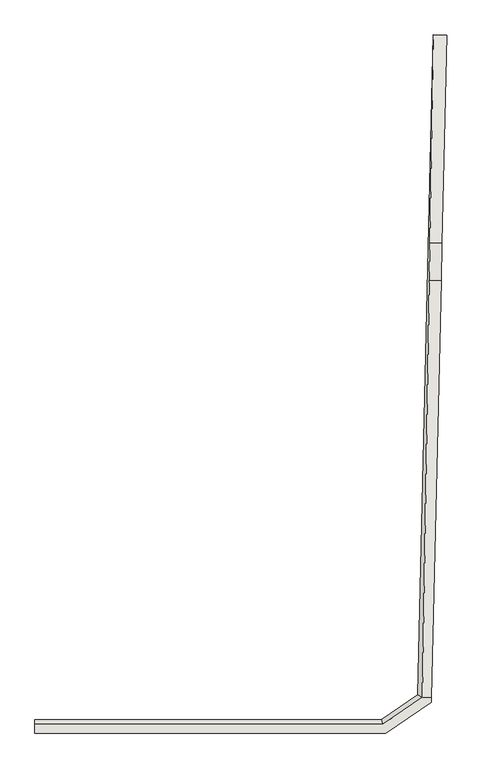
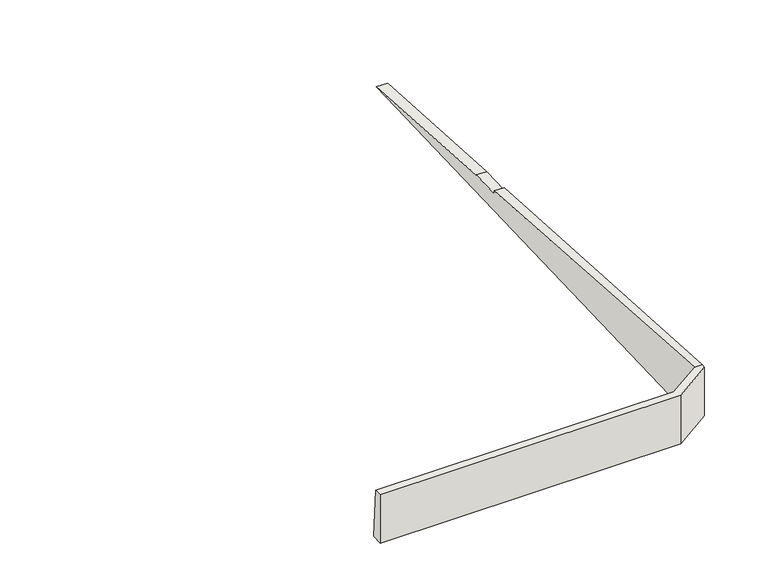
"""IFC4 building model written with IfcOpenShell, lengths in millimetres: wall geometry."""

import ifcopenshell
import ifcopenshell.guid

model = None  # the IFC model being written
_history = None  # IfcOwnerHistory: only IFC2X3 demands one
_inside = {}  # id of a spatial element -> (the spatial element, [elements in it])
_under = {}  # id of a project, library or spatial element -> (it, [spatial elements below it])
_declared = {}  # id of a project -> (the project, [libraries it declares])
_typed = {}  # id of a type object -> (the type object, [elements of that type])
_made_of = {}  # id of a material, layer set ... -> (it, [elements and type objects made of it])


def new_model(schema):
    """Start an empty IFC model of exactly this schema.

    Asked for "IFC4X3", IfcOpenShell would pick the latest addendum, in which some entities
    have other attributes; the version numbers below select the first issue.
    IFC2X3 requires an IfcOwnerHistory on every rooted entity: one is made here for all.
    """
    global model, _history
    if schema == "IFC4X3":
        model = ifcopenshell.file(schema_version=(4, 3, 0, 0))
    else:
        model = ifcopenshell.file(schema=schema)
    _inside.clear()
    _under.clear()
    _declared.clear()
    _typed.clear()
    _made_of.clear()
    _history = None
    if model.schema == "IFC2X3":
        org = make("IfcOrganization", Name="unknown")
        user = make(
            "IfcPersonAndOrganization",
            ThePerson=make("IfcPerson", FamilyName="unknown"),
            TheOrganization=org,
        )
        app = make(
            "IfcApplication",
            ApplicationDeveloper=org,
            Version="unknown",
            ApplicationFullName="unknown",
            ApplicationIdentifier="unknown",
        )
        _history = make(
            "IfcOwnerHistory",
            OwningUser=user,
            OwningApplication=app,
            ChangeAction="ADDED",
            CreationDate=0,
        )
    return model


def make(cls, **values):
    """One entity of the class cls with the attributes given. An attribute that is None is left unset."""
    return model.create_entity(
        cls, **{name: value for name, value in values.items() if value is not None}
    )


def rooted(cls, **values):
    """An entity with a GlobalId (a new one), such as an element, a storey or a relation."""
    return make(cls, GlobalId=ifcopenshell.guid.new(), OwnerHistory=_history, **values)


def si_unit(unit_type, name, prefix=None):
    """IfcSIUnit, for example si_unit("LENGTHUNIT", "METRE", prefix="MILLI")."""
    return make("IfcSIUnit", UnitType=unit_type, Prefix=prefix, Name=name)


def assignment(units):
    """IfcUnitAssignment: the units of a project."""
    return None if units is None else make("IfcUnitAssignment", Units=units)


def point(xyz):
    """IfcCartesianPoint."""
    return None if xyz is None else make("IfcCartesianPoint", Coordinates=xyz)


def direction(xyz):
    """IfcDirection."""
    return None if xyz is None else make("IfcDirection", DirectionRatios=xyz)


def frame(location, z_axis=None, x_axis=None):
    """IfcAxis2Placement3D, a coordinate frame: its origin and axes. An axis left out is left unset."""
    return make(
        "IfcAxis2Placement3D",
        Location=point(location),
        Axis=direction(z_axis),
        RefDirection=direction(x_axis),
    )


def origin():
    """The frame at (0, 0, 0) with its axes left unset."""
    return frame((0.0, 0.0, 0.0))


def place(relative_to, where):
    """IfcLocalPlacement: puts the frame where relative to a parent placement (None: the world)."""
    return make(
        "IfcLocalPlacement", PlacementRelTo=relative_to, RelativePlacement=where
    )


def context(
    kind, dimensions, precision=None, world=None, true_north=None, identifier=None
):
    """IfcGeometricRepresentationContext, for example the 3D "Model" context."""
    return make(
        "IfcGeometricRepresentationContext",
        ContextIdentifier=identifier,
        ContextType=kind,
        CoordinateSpaceDimension=dimensions,
        Precision=precision,
        WorldCoordinateSystem=world,
        TrueNorth=true_north,
    )


def project(units=None, contexts=None):
    """IfcProject with its units and contexts."""
    return rooted(
        "IfcProject",
        Name="project",
        RepresentationContexts=contexts,
        UnitsInContext=assignment(units),
    )


def spatial(cls, under=None, at=None, **own):
    """A site, building, storey or space (cls), placed at a placement, below another one or the project."""
    s = rooted(cls, ObjectPlacement=at, **own)
    if under is not None:
        _under.setdefault(under.id(), (under, []))[1].append(s)
    return s


def faces_of(points, faces, orient=None, outer=None):
    """IfcFace entities. A face is a list of loops; a loop is a list of indices into points, from 0.

    orient and outer hold one flag for each loop. By default every Orientation is true, the
    first loop of a face is its IfcFaceOuterBound and the others are IfcFaceBound.
    """
    made = []
    for i, loops in enumerate(faces):
        bounds = []
        for j, loop in enumerate(loops):
            is_outer = j == 0 if outer is None else outer[i][j]
            bounds.append(
                make(
                    "IfcFaceOuterBound" if is_outer else "IfcFaceBound",
                    Bound=make("IfcPolyLoop", Polygon=[points[k] for k in loop]),
                    Orientation=True if orient is None else orient[i][j],
                )
            )
        made.append(make("IfcFace", Bounds=bounds))
    return made


def faceted_brep(points, faces, orient=None, outer=None, voids=None):
    """IfcFacetedBrep: a solid bounded by flat faces; with voids (closed shells), ...WithVoids."""
    shared = [point(p) for p in points]
    hull = make("IfcClosedShell", CfsFaces=faces_of(shared, faces, orient, outer))
    if voids is None:
        return make("IfcFacetedBrep", Outer=hull)
    return make(
        "IfcFacetedBrepWithVoids",
        Outer=hull,
        Voids=[
            make(cls, CfsFaces=faces_of(shared, fs, o, b)) for cls, fs, o, b in voids
        ],
    )


def shape(context_of_items, identifier, shape_type, items):
    """IfcShapeRepresentation: the items that make up one representation, for example the "Body"."""
    return make(
        "IfcShapeRepresentation",
        ContextOfItems=context_of_items,
        RepresentationIdentifier=identifier,
        RepresentationType=shape_type,
        Items=items,
    )


def source(mapping_origin, context_of_items, identifier, shape_type, items):
    """IfcRepresentationMap: a shape defined once, which mapped items show again and again."""
    return make(
        "IfcRepresentationMap",
        MappingOrigin=mapping_origin,
        MappedRepresentation=shape(context_of_items, identifier, shape_type, items),
    )


def transform(
    local_origin,
    x_axis=None,
    y_axis=None,
    z_axis=None,
    scale=None,
    scale2=None,
    scale3=None,
    uniform=True,
):
    """IfcCartesianTransformationOperator3D, or its non-uniform kind. x_axis, y_axis, z_axis: its Axis1, 2, 3."""
    if uniform:
        return make(
            "IfcCartesianTransformationOperator3D",
            Axis1=direction(x_axis),
            Axis2=direction(y_axis),
            LocalOrigin=point(local_origin),
            Scale=scale,
            Axis3=direction(z_axis),
        )
    return make(
        "IfcCartesianTransformationOperator3DnonUniform",
        Axis1=direction(x_axis),
        Axis2=direction(y_axis),
        LocalOrigin=point(local_origin),
        Scale=scale,
        Axis3=direction(z_axis),
        Scale2=scale2,
        Scale3=scale3,
    )


def mapped(mapping_source, mapping_target):
    """IfcMappedItem: shows the shape of a source again, moved by a transform."""
    return make(
        "IfcMappedItem", MappingSource=mapping_source, MappingTarget=mapping_target
    )


def made_of(thing, what):
    """Note that an element or type object is made of a material, layer set ...; save() writes the relation."""
    if what is not None:
        _made_of.setdefault(what.id(), (what, []))[1].append(thing)
    return thing


def element(
    cls,
    number,
    at=None,
    inside=None,
    cuts=None,
    type_object=None,
    material=None,
    context=None,
    identifier="Body",
    shape_type=None,
    held_by="IfcProductDefinitionShape",
    body=None,
    shapes=None,
    **own,
):
    """One element of the class cls, such as IfcWall. Its Tag is "e" and its number.

    at: its placement. inside: the storey or other place that contains it. cuts: it is an
    opening in that element (IfcRelVoidsElement). A single representation is given by context,
    identifier, shape_type and body (its items); several are given by shapes. held_by: the class
    of the entity that holds the representations. save() writes the other relations.
    """
    e = rooted(cls, Tag="e%d" % number, ObjectPlacement=at, **own)
    if body is not None:
        shapes = [shape(context, identifier, shape_type, body)]
    if shapes is not None:
        e.Representation = make(held_by, Representations=shapes)
    if inside is not None:
        _inside.setdefault(inside.id(), (inside, []))[1].append(e)
    if cuts is not None:
        rooted(
            "IfcRelVoidsElement", RelatingBuildingElement=cuts, RelatedOpeningElement=e
        )
    if type_object is not None:
        _typed.setdefault(type_object.id(), (type_object, []))[1].append(e)
    return made_of(e, material)


def aggregate(whole, parts):
    """IfcRelAggregates: a whole, such as a stair, and the parts it consists of."""
    return rooted("IfcRelAggregates", RelatingObject=whole, RelatedObjects=parts)


def save(model, path):
    """Write the relations noted so far, then the file.

    IfcRelAggregates (storeys below a building ...), IfcRelContainedInSpatialStructure (elements
    in a storey), IfcRelDefinesByType, IfcRelAssociatesMaterial and IfcRelDeclares: one each for
    every whole, place, type object, material and project.
    """
    for whole, parts in _under.values():
        aggregate(whole, parts)
    for where, things in _inside.values():
        rooted(
            "IfcRelContainedInSpatialStructure",
            RelatedElements=things,
            RelatingStructure=where,
        )
    for kind, things in _typed.values():
        rooted("IfcRelDefinesByType", RelatedObjects=things, RelatingType=kind)
    for what, things in _made_of.values():
        rooted("IfcRelAssociatesMaterial", RelatedObjects=things, RelatingMaterial=what)
    for by, libraries in _declared.values():
        rooted("IfcRelDeclares", RelatingContext=by, RelatedDefinitions=libraries)
    model.write(path)


def wall_9450665f(model_context):
    return source(origin(), model_context, "Body", "Brep", [
        faceted_brep([(21882.1073664, 20698.4119725, -3000.0), (21272.1585131, 20712.7235916, -3000.0), (21272.224136, 20712.7220519, -2999.1565144), (21882.1073664, 20698.4119725, -2999.1565144), (21172.5753266, -9541.2311256, -300.0), (21172.5753266, -9541.2311256, -3000.0), (21660.8199348, 11267.3326422, -2151.5682385), (21660.8199348, 11267.3326422, -2142.8571429), (21620.9536982, 9568.2680492, -2142.8571429), (21620.9536982, 9568.2680492, -1998.8702091), (21177.4144988, -9334.9897837, -300.0), (20570.0076231, -9212.3412729, -3000.0), (20777.5245618, -9325.6069109, -300.0), (21088.8923408, 9580.7521442, -1998.8702091), (21077.6902151, 9581.0149869, -2142.8571429), (21117.5564517, 11280.0795799, -2142.8571429), (21116.878732, 11280.0954817, -2151.5682385), (19106.1279888, -10939.87232, -300.0), (19106.1279888, -10939.87232, -3000.0), (18919.0639451, -10329.7555885, -3000.0), (18983.4865112, -10539.87232, -300.0), (3209.3575177, -10329.7555885, -3000.0), (3209.3575177, -10939.87232, -3000.0), (3209.3575177, -10939.87232, -600.0), (3209.3575177, -10939.87232, -450.0), (3209.3575177, -10939.87232, -300.0), (3209.3575177, -10539.87232, -300.0)], [[[0, 1, 2, 3]], [[4, 5, 0, 3, 6, 7, 8, 9, 10]], [[1, 11, 12, 13, 14, 15, 16, 2]], [[5, 4, 17, 18]], [[11, 19, 20, 12]], [[21, 22, 23, 24, 25, 26]], [[22, 18, 17, 25, 24, 23]], [[19, 21, 26, 20]], [[1, 0, 5, 18, 22, 21, 19, 11]], [[12, 20, 26, 25, 17, 4, 10]], [[9, 13, 12, 10]], [[16, 6, 3, 2]], [[6, 16, 15, 7]], [[7, 15, 14, 8]], [[13, 9, 8, 14]]]),
    ])


if __name__ == "__main__":
    model = new_model("IFC4")
    model_context = context("Model", 3, world=origin())
    ifc_project = project(units=[si_unit("LENGTHUNIT", "METRE", prefix="MILLI")], contexts=[model_context])
    site = spatial("IfcSite", under=ifc_project)
    building = spatial("IfcBuilding", under=site)
    placement = place(None, origin())
    wall_shape = wall_9450665f(model_context)
    element("IfcWall", 1, at=placement, inside=building, context=model_context, shape_type="MappedRepresentation", body=[
        mapped(wall_shape, transform((0.0, 0.0, 0.0), x_axis=(1.0, 0.0, 0.0), y_axis=(0.0, 1.0, 0.0), z_axis=(0.0, 0.0, 1.0))),
    ])
    save(model, "model.ifc")
